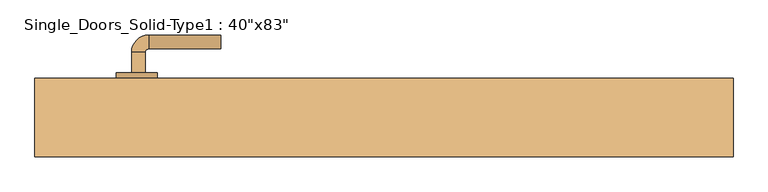
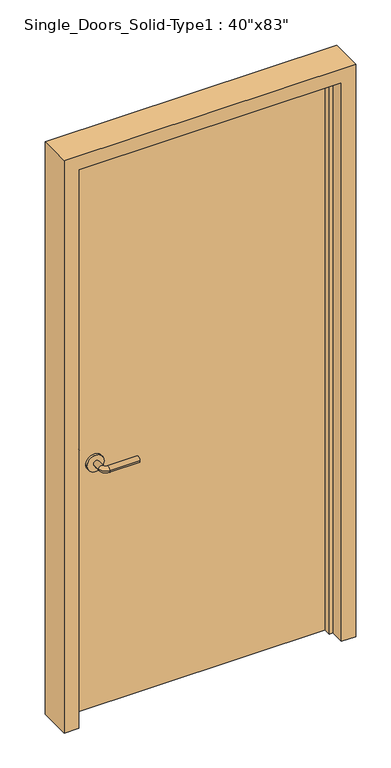
"""IFC4 building model written with IfcOpenShell, lengths in millimetres: door geometry."""

from ifc_helpers import new_model, si_unit, point, frame, frame_2d, origin, origin_with_axes, place, context, project, spatial, polyline, circle_curve, ellipse_curve, trimmed, segment, composite_curve, outline, extrude, faceted_brep, source, transform, mapped, element, save
from ifc_brep_helpers import plane_surface, cylinder_surface, revolved_surface, advanced_brep


def door_85bb5f25(model_context):
    return source(origin(), model_context, "Body", "SolidModel", [
        advanced_brep(
        [(-367.2, 11.05, 900.0), (-347.2, 11.05, 900.0), (-347.2, -18.95, 900.0), (-367.2, -18.95, 900.0), (-342.2, -23.95, 900.0), (-342.2, -43.95, 900.0), (-237.2, -43.95, 900.0), (-237.2, -23.95, 900.0)],
        [
            (0, 1, circle_curve(frame((-357.2, 11.05, 900.0), z_axis=(0.0, 1.0, 0.0), x_axis=(1.0, 0.0, 0.0)), 10.0)),
            (1, 0, circle_curve(frame((-357.2, 11.05, 900.0), z_axis=(0.0, 1.0, 0.0), x_axis=(1.0, 0.0, 0.0)), 10.0)),
            (1, 2),
            (2, 3, circle_curve(frame((-357.2, -18.95, 900.0), z_axis=(0.0, 1.0, 0.0), x_axis=(1.0, 0.0, 0.0)), 10.0)),
            (3, 0),
            (3, 2, circle_curve(frame((-357.2, -18.95, 900.0), z_axis=(0.0, 1.0, 0.0), x_axis=(1.0, 0.0, 0.0)), 10.0)),
            (4, 5, circle_curve(frame((-342.2, -33.95, 900.0), z_axis=(-1.0, 0.0, 0.0), x_axis=(0.0, 1.0, 0.0)), 10.0)),
            (5, 3, circle_curve(frame((-342.2, -18.95, 900.0), z_axis=(0.0, 0.0, -1.0), x_axis=(-1.0, 0.0, 0.0)), 25.0)),
            (2, 4, circle_curve(frame((-342.2, -18.95, 900.0), z_axis=(0.0, 0.0, 1.0), x_axis=(-1.0, 0.0, 0.0)), 5.0)),
            (5, 4, circle_curve(frame((-342.2, -33.95, 900.0), z_axis=(-1.0, 0.0, 0.0), x_axis=(0.0, 1.0, 0.0)), 10.0)),
            (6, 7, circle_curve(frame((-237.2, -33.95, 900.0), z_axis=(1.0, 0.0, 0.0), x_axis=(0.0, 1.0, 0.0)), 10.0)),
            (7, 6, circle_curve(frame((-237.2, -33.95, 900.0), z_axis=(1.0, 0.0, 0.0), x_axis=(0.0, 1.0, 0.0)), 10.0)),
            (4, 7),
            (6, 5),
        ],
        [
            plane_surface(frame((-357.2, 11.05, 900.0), z_axis=(0.0, 1.0, 0.0), x_axis=(0.0, 0.0, 1.0))),
            cylinder_surface(frame((-357.2, 11.05, 900.0), z_axis=(0.0, 1.0, 0.0), x_axis=(1.0, 0.0, 0.0)), 10.0),
            revolved_surface(trimmed(ellipse_curve(frame((-357.2, -18.95, 900.0), z_axis=(0.0, -1.0, 0.0), x_axis=(1.0, 0.0, 0.0)), 10.0, 10.0), [point((-367.2, -18.95, 900.0))], [point((-347.2, -18.95, 900.0))], True, "CARTESIAN"), (-342.2, -18.95, 900.0), (0.0, 0.0, -1.0)),
            revolved_surface(trimmed(ellipse_curve(frame((-357.2, -18.95, 900.0), z_axis=(0.0, -1.0, 0.0), x_axis=(1.0, 0.0, 0.0)), 10.0, 10.0), [point((-347.2, -18.95, 900.0))], [point((-367.2, -18.95, 900.0))], True, "CARTESIAN"), (-342.2, -18.95, 900.0), (0.0, 0.0, -1.0)),
            plane_surface(frame((-237.2, -33.95, 900.0), z_axis=(1.0, 0.0, 0.0), x_axis=(0.0, 0.0, 1.0))),
            cylinder_surface(frame((-342.2, -33.95, 900.0), z_axis=(-1.0, 0.0, 0.0), x_axis=(0.0, 1.0, 0.0)), 10.0),
        ],
        [
            (0, [[1, 2]]),
            (1, [[3, 4, 5, -2]]),
            (1, [[-5, 6, -3, -1]]),
            (2, [[7, 8, -4, 9]]),
            (3, [[10, -9, -6, -8]]),
            (4, [[11, 12]]),
            (5, [[13, -11, 14, -7]]),
            (5, [[-14, -12, -13, -10]]),
        ],
    ),
        extrude(outline(composite_curve([segment(trimmed(circle_curve(frame_2d((900.0, -359.7)), 30.0), [point((900.0, -389.7))], [point((900.0, -329.7))], False, "CARTESIAN"), True, "CONTINUOUS"), segment(trimmed(circle_curve(frame_2d((900.0, -359.7)), 30.0), [point((900.0, -329.7))], [point((900.0, -389.7))], False, "CARTESIAN"), True, "CONTINUOUS")], self_intersect=False)), frame((0.0, 11.05, 0.0), z_axis=(0.0, 1.0, 0.0), x_axis=(0.0, 0.0, 1.0)), (0.0, 0.0, 1.0), 8.0),
        advanced_brep(
        [(-367.2, 65.15, 900.0), (-347.2, 65.15, 900.0), (-367.2, 95.15, 900.0), (-347.2, 95.15, 900.0), (-342.2, 100.15, 900.0), (-342.2, 120.15, 900.0), (-237.2, 120.15, 900.0), (-237.2, 100.15, 900.0)],
        [
            (0, 1, circle_curve(frame((-357.2, 65.15, 900.0), z_axis=(0.0, -1.0, 0.0), x_axis=(1.0, 0.0, 0.0)), 10.0)),
            (1, 0, circle_curve(frame((-357.2, 65.15, 900.0), z_axis=(0.0, -1.0, 0.0), x_axis=(1.0, 0.0, 0.0)), 10.0)),
            (0, 2),
            (2, 3, circle_curve(frame((-357.2, 95.15, 900.0), z_axis=(0.0, -1.0, 0.0), x_axis=(1.0, 0.0, 0.0)), 10.0)),
            (3, 1),
            (3, 2, circle_curve(frame((-357.2, 95.15, 900.0), z_axis=(0.0, -1.0, 0.0), x_axis=(1.0, 0.0, 0.0)), 10.0)),
            (4, 3, circle_curve(frame((-342.2, 95.15, 900.0), z_axis=(0.0, 0.0, 1.0), x_axis=(-1.0, 0.0, 0.0)), 5.0)),
            (2, 5, circle_curve(frame((-342.2, 95.15, 900.0), z_axis=(0.0, 0.0, -1.0), x_axis=(-1.0, 0.0, 0.0)), 25.0)),
            (5, 4, circle_curve(frame((-342.2, 110.15, 900.0), z_axis=(-1.0, 0.0, 0.0), x_axis=(0.0, -1.0, 0.0)), 10.0)),
            (4, 5, circle_curve(frame((-342.2, 110.15, 900.0), z_axis=(-1.0, 0.0, 0.0), x_axis=(0.0, -1.0, 0.0)), 10.0)),
            (6, 7, circle_curve(frame((-237.2, 110.15, 900.0), z_axis=(1.0, 0.0, 0.0), x_axis=(0.0, -1.0, 0.0)), 10.0)),
            (7, 6, circle_curve(frame((-237.2, 110.15, 900.0), z_axis=(1.0, 0.0, 0.0), x_axis=(0.0, -1.0, 0.0)), 10.0)),
            (5, 6),
            (7, 4),
        ],
        [
            plane_surface(frame((-357.2, 65.15, 900.0), z_axis=(0.0, -1.0, 0.0), x_axis=(0.0, 0.0, 1.0))),
            cylinder_surface(frame((-357.2, 65.15, 900.0), z_axis=(0.0, -1.0, 0.0), x_axis=(1.0, 0.0, 0.0)), 10.0),
            revolved_surface(trimmed(ellipse_curve(frame((-357.2, 95.15, 900.0), z_axis=(0.0, -1.0, 0.0), x_axis=(1.0, 0.0, 0.0)), 10.0, 10.0), [point((-367.2, 95.15, 900.0))], [point((-347.2, 95.15, 900.0))], True, "CARTESIAN"), (-342.2, 95.15, 900.0), (0.0, 0.0, -1.0)),
            revolved_surface(trimmed(ellipse_curve(frame((-357.2, 95.15, 900.0), z_axis=(0.0, -1.0, 0.0), x_axis=(1.0, 0.0, 0.0)), 10.0, 10.0), [point((-347.2, 95.15, 900.0))], [point((-367.2, 95.15, 900.0))], True, "CARTESIAN"), (-342.2, 95.15, 900.0), (0.0, 0.0, -1.0)),
            plane_surface(frame((-237.2, 110.15, 900.0), z_axis=(1.0, 0.0, 0.0), x_axis=(0.0, 0.0, 1.0))),
            cylinder_surface(frame((-342.2, 110.15, 900.0), z_axis=(-1.0, 0.0, 0.0), x_axis=(0.0, -1.0, 0.0)), 10.0),
        ],
        [
            (0, [[1, 2]]),
            (1, [[-1, 3, 4, 5]]),
            (1, [[-2, -5, 6, -3]]),
            (2, [[7, -4, 8, 9]]),
            (3, [[-8, -6, -7, 10]]),
            (4, [[11, 12]]),
            (5, [[-9, 13, -12, 14]]),
            (5, [[-10, -14, -11, -13]]),
        ],
    ),
        extrude(outline(composite_curve([segment(trimmed(circle_curve(frame_2d((900.0, -359.7)), 30.0), [point((900.0, -389.7))], [point((900.0, -329.7))], False, "CARTESIAN"), True, "CONTINUOUS"), segment(trimmed(circle_curve(frame_2d((900.0, -359.7)), 30.0), [point((900.0, -329.7))], [point((900.0, -389.7))], False, "CARTESIAN"), True, "CONTINUOUS")], self_intersect=False)), frame((0.0, 57.15, 0.0), z_axis=(0.0, 1.0, 0.0), x_axis=(0.0, 0.0, 1.0)), (0.0, 0.0, 1.0), 8.0),
        faceted_brep([(-508.0, -57.15, 0.0), (-508.0, 57.15, 0.0), (-457.2, 57.15, 0.0), (-457.2, 19.05, 0.0), (-444.5, 19.05, 0.0), (-444.5, -6.35, 0.0), (-457.2, -6.35, 0.0), (-457.2, -57.15, 0.0), (-508.0, -57.15, 2108.2), (-508.0, 57.15, 2108.2), (508.0, 57.15, 2108.2), (508.0, 57.15, 0.0), (457.2, 57.15, 0.0), (457.2, 57.15, 2057.4), (-457.2, 57.15, 2057.4), (-457.2, 19.05, 2057.4), (457.2, 19.05, 2057.4), (457.2, 19.05, 0.0), (444.5, 19.05, 0.0), (444.5, 19.05, 2044.7), (-444.5, 19.05, 2044.7), (-444.5, -6.35, 2044.7), (444.5, -6.35, 2044.7), (444.5, -6.35, 0.0), (457.2, -6.35, 0.0), (457.2, -6.35, 2057.4), (-457.2, -6.35, 2057.4), (-457.2, -57.15, 2057.4), (457.2, -57.15, 2057.4), (457.2, -57.15, 0.0), (508.0, -57.15, 0.0), (508.0, -57.15, 2108.2)], [[[0, 1, 2, 3, 4, 5, 6, 7]], [[1, 0, 8, 9]], [[2, 1, 9, 10, 11, 12, 13, 14]], [[3, 2, 14, 15]], [[4, 3, 15, 16, 17, 18, 19, 20]], [[5, 4, 20, 21]], [[6, 5, 21, 22, 23, 24, 25, 26]], [[7, 6, 26, 27]], [[0, 7, 27, 28, 29, 30, 31, 8]], [[10, 31, 30, 11]], [[30, 29, 24, 23, 18, 17, 12, 11]], [[16, 13, 12, 17]], [[22, 19, 18, 23]], [[28, 25, 24, 29]], [[9, 8, 31, 10]], [[15, 14, 13, 16]], [[21, 20, 19, 22]], [[27, 26, 25, 28]]]),
        extrude(outline(polyline([(457.2, 19.05), (-457.2, 19.05), (-457.2, 57.15), (457.2, 57.15), (457.2, 19.05)])), origin_with_axes(), (0.0, 0.0, 1.0), 2057.4),
    ])


if __name__ == "__main__":
    model = new_model("IFC4")
    model_context = context("Model", 3, world=origin())
    ifc_project = project(units=[si_unit("LENGTHUNIT", "METRE", prefix="MILLI")], contexts=[model_context])
    site = spatial("IfcSite", under=ifc_project)
    building = spatial("IfcBuilding", under=site)
    placement = place(None, origin())
    door_shape = door_85bb5f25(model_context)
    element("IfcDoor", 1, ObjectType="Single_Doors_Solid-Type1 : 40\"x83\"", at=placement, inside=building, context=model_context, shape_type="MappedRepresentation", body=[
        mapped(door_shape, transform((0.0, 0.0, 0.0), x_axis=(1.0, 0.0, 0.0), y_axis=(0.0, 1.0, 0.0), z_axis=(0.0, 0.0, 1.0))),
    ])
    save(model, "model.ifc")
